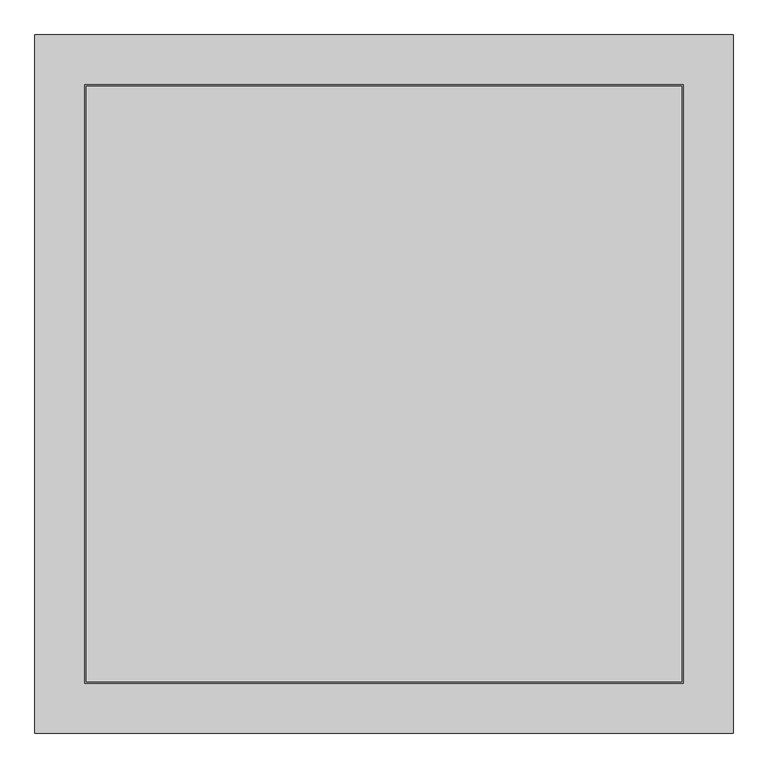
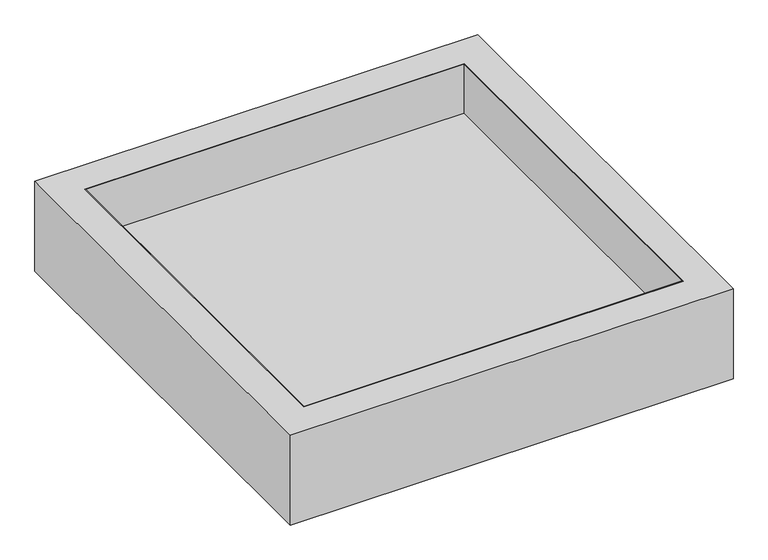
"""IFC4 building model written with IfcOpenShell, lengths in millimetres: proxy geometry."""

from ifc_helpers import new_model, si_unit, origin, place, context, project, spatial, faceted_brep, source, transform, mapped, element, save


def generic_models_980d7e7e(model_context):
    return source(origin(), model_context, "Body", "Brep", [
        faceted_brep([(896.0, -896.0, 204.0), (896.0, 896.0, 204.0), (-896.0, 896.0, 204.0), (-896.0, -896.0, 204.0), (900.0, 900.0, 200.0), (900.0, -900.0, 200.0), (-900.0, -900.0, 200.0), (-900.0, 900.0, 200.0), (-900.0, 900.0, 450.0), (900.0, 900.0, 450.0), (-900.0, -900.0, 450.0), (900.0, -900.0, 450.0), (896.0, 896.0, 450.0), (896.0, -896.0, 450.0), (-896.0, -896.0, 450.0), (-896.0, 896.0, 450.0)], [[[0, 1, 2, 3]], [[4, 5, 6, 7]], [[4, 7, 8, 9]], [[8, 7, 6, 10]], [[10, 6, 5, 11]], [[11, 5, 4, 9]], [[9, 8, 10, 11], [12, 13, 14, 15]], [[13, 12, 1, 0]], [[14, 13, 0, 3]], [[15, 14, 3, 2]], [[12, 15, 2, 1]]]),
        faceted_brep([(1050.0, 1050.0, 450.0), (-1050.0, 1050.0, 450.0), (-1050.0, -1050.0, 450.0), (1050.0, -1050.0, 450.0), (-900.0, 900.0, 450.0), (900.0, 900.0, 450.0), (900.0, -900.0, 450.0), (-900.0, -900.0, 450.0), (1050.0, 1050.0, 0.0), (1050.0, -1050.0, 0.0), (-1050.0, -1050.0, 0.0), (-1050.0, 1050.0, 0.0), (900.0, 900.0, 200.0), (-900.0, 900.0, 200.0), (-900.0, -900.0, 200.0), (900.0, -900.0, 200.0)], [[[0, 1, 2, 3], [4, 5, 6, 7]], [[8, 9, 10, 11]], [[1, 0, 8, 11]], [[2, 1, 11, 10]], [[3, 2, 10, 9]], [[0, 3, 9, 8]], [[12, 13, 14, 15]], [[13, 12, 5, 4]], [[14, 13, 4, 7]], [[15, 14, 7, 6]], [[12, 15, 6, 5]]]),
    ])


if __name__ == "__main__":
    model = new_model("IFC4")
    model_context = context("Model", 3, world=origin())
    ifc_project = project(units=[si_unit("LENGTHUNIT", "METRE", prefix="MILLI")], contexts=[model_context])
    site = spatial("IfcSite", under=ifc_project)
    building = spatial("IfcBuilding", under=site)
    placement = place(None, origin())
    generic_models_shape = generic_models_980d7e7e(model_context)
    element("IfcBuildingElementProxy", 1, Name="Generic Models", at=placement, inside=building, context=model_context, shape_type="MappedRepresentation", body=[
        mapped(generic_models_shape, transform((0.0, 0.0, 0.0), x_axis=(1.0, 0.0, 0.0), y_axis=(0.0, 1.0, 0.0), z_axis=(0.0, 0.0, 1.0))),
    ])
    save(model, "model.ifc")
